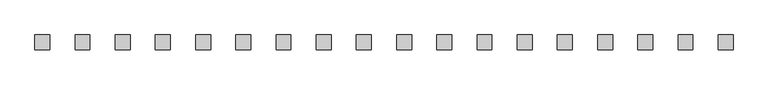
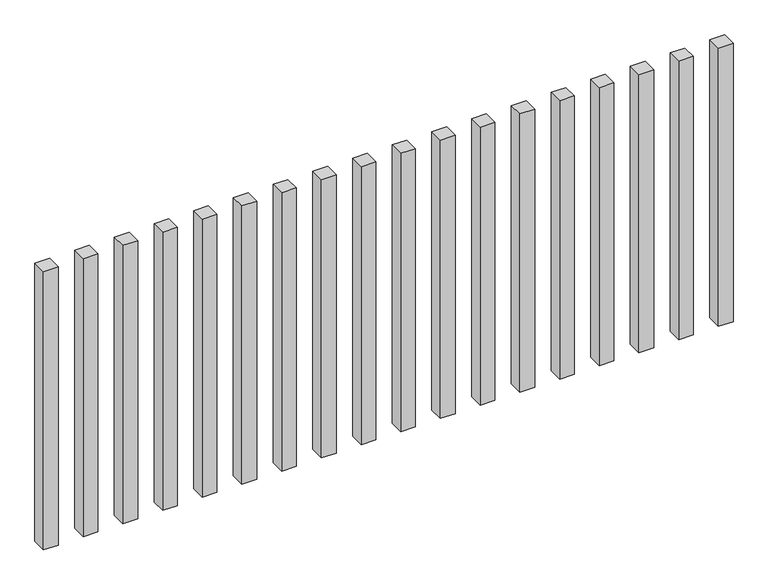
"""IFC4 building model written with IfcOpenShell, lengths in millimetres: railing geometry."""

from ifc_helpers import new_model, si_unit, origin, origin_with_axes, place, context, project, spatial, polyline, outline, extrude, source, transform, mapped, element, save


def railing_3efd5a5e(model_context):
    return source(origin(), model_context, "Body", "SweptSolid", [
        extrude(outline(polyline([(-15507.5700772, -92454.0267127), (-15507.5700772, -92404.0267127), (-15457.5700772, -92404.0267127), (-15457.5700772, -92454.0267127), (-15507.5700772, -92454.0267127)])), origin_with_axes(), (0.0, 0.0, 1.0), 1000.0),
        extrude(outline(polyline([(-15642.5700772, -92454.0267127), (-15642.5700772, -92404.0267127), (-15592.5700772, -92404.0267127), (-15592.5700772, -92454.0267127), (-15642.5700772, -92454.0267127)])), origin_with_axes(), (0.0, 0.0, 1.0), 1000.0),
        extrude(outline(polyline([(-15777.5700772, -92454.0267127), (-15777.5700772, -92404.0267127), (-15727.5700772, -92404.0267127), (-15727.5700772, -92454.0267127), (-15777.5700772, -92454.0267127)])), origin_with_axes(), (0.0, 0.0, 1.0), 1000.0),
        extrude(outline(polyline([(-15912.5700772, -92454.0267127), (-15912.5700772, -92404.0267127), (-15862.5700772, -92404.0267127), (-15862.5700772, -92454.0267127), (-15912.5700772, -92454.0267127)])), origin_with_axes(), (0.0, 0.0, 1.0), 1000.0),
        extrude(outline(polyline([(-16047.5700772, -92454.0267127), (-16047.5700772, -92404.0267127), (-15997.5700772, -92404.0267127), (-15997.5700772, -92454.0267127), (-16047.5700772, -92454.0267127)])), origin_with_axes(), (0.0, 0.0, 1.0), 1000.0),
        extrude(outline(polyline([(-16182.5700772, -92454.0267127), (-16182.5700772, -92404.0267127), (-16132.5700772, -92404.0267127), (-16132.5700772, -92454.0267127), (-16182.5700772, -92454.0267127)])), origin_with_axes(), (0.0, 0.0, 1.0), 1000.0),
        extrude(outline(polyline([(-16317.5700772, -92454.0267127), (-16317.5700772, -92404.0267127), (-16267.5700772, -92404.0267127), (-16267.5700772, -92454.0267127), (-16317.5700772, -92454.0267127)])), origin_with_axes(), (0.0, 0.0, 1.0), 1000.0),
        extrude(outline(polyline([(-16452.5700772, -92454.0267127), (-16452.5700772, -92404.0267127), (-16402.5700772, -92404.0267127), (-16402.5700772, -92454.0267127), (-16452.5700772, -92454.0267127)])), origin_with_axes(), (0.0, 0.0, 1.0), 1000.0),
        extrude(outline(polyline([(-16587.5700772, -92454.0267127), (-16587.5700772, -92404.0267127), (-16537.5700772, -92404.0267127), (-16537.5700772, -92454.0267127), (-16587.5700772, -92454.0267127)])), origin_with_axes(), (0.0, 0.0, 1.0), 1000.0),
        extrude(outline(polyline([(-16722.5700772, -92454.0267127), (-16722.5700772, -92404.0267127), (-16672.5700772, -92404.0267127), (-16672.5700772, -92454.0267127), (-16722.5700772, -92454.0267127)])), origin_with_axes(), (0.0, 0.0, 1.0), 1000.0),
        extrude(outline(polyline([(-16857.5700772, -92454.0267127), (-16857.5700772, -92404.0267127), (-16807.5700772, -92404.0267127), (-16807.5700772, -92454.0267127), (-16857.5700772, -92454.0267127)])), origin_with_axes(), (0.0, 0.0, 1.0), 1000.0),
        extrude(outline(polyline([(-16992.5700772, -92454.0267127), (-16992.5700772, -92404.0267127), (-16942.5700772, -92404.0267127), (-16942.5700772, -92454.0267127), (-16992.5700772, -92454.0267127)])), origin_with_axes(), (0.0, 0.0, 1.0), 1000.0),
        extrude(outline(polyline([(-17127.5700772, -92454.0267127), (-17127.5700772, -92404.0267127), (-17077.5700772, -92404.0267127), (-17077.5700772, -92454.0267127), (-17127.5700772, -92454.0267127)])), origin_with_axes(), (0.0, 0.0, 1.0), 1000.0),
        extrude(outline(polyline([(-17262.5700772, -92454.0267127), (-17262.5700772, -92404.0267127), (-17212.5700772, -92404.0267127), (-17212.5700772, -92454.0267127), (-17262.5700772, -92454.0267127)])), origin_with_axes(), (0.0, 0.0, 1.0), 1000.0),
        extrude(outline(polyline([(-17397.5700772, -92454.0267127), (-17397.5700772, -92404.0267127), (-17347.5700772, -92404.0267127), (-17347.5700772, -92454.0267127), (-17397.5700772, -92454.0267127)])), origin_with_axes(), (0.0, 0.0, 1.0), 1000.0),
        extrude(outline(polyline([(-17532.5700772, -92454.0267127), (-17532.5700772, -92404.0267127), (-17482.5700772, -92404.0267127), (-17482.5700772, -92454.0267127), (-17532.5700772, -92454.0267127)])), origin_with_axes(), (0.0, 0.0, 1.0), 1000.0),
        extrude(outline(polyline([(-17667.5700772, -92454.0267127), (-17667.5700772, -92404.0267127), (-17617.5700772, -92404.0267127), (-17617.5700772, -92454.0267127), (-17667.5700772, -92454.0267127)])), origin_with_axes(), (0.0, 0.0, 1.0), 1000.0),
        extrude(outline(polyline([(-17802.5700772, -92454.0267127), (-17802.5700772, -92404.0267127), (-17752.5700772, -92404.0267127), (-17752.5700772, -92454.0267127), (-17802.5700772, -92454.0267127)])), origin_with_axes(), (0.0, 0.0, 1.0), 1000.0),
    ])


if __name__ == "__main__":
    model = new_model("IFC4")
    model_context = context("Model", 3, world=origin())
    ifc_project = project(units=[si_unit("LENGTHUNIT", "METRE", prefix="MILLI")], contexts=[model_context])
    site = spatial("IfcSite", under=ifc_project)
    building = spatial("IfcBuilding", under=site)
    placement = place(None, origin())
    railing_shape = railing_3efd5a5e(model_context)
    element("IfcRailing", 1, at=placement, inside=building, context=model_context, shape_type="MappedRepresentation", body=[
        mapped(railing_shape, transform((0.0, 0.0, 0.0), x_axis=(1.0, 0.0, 0.0), y_axis=(0.0, 1.0, 0.0), z_axis=(0.0, 0.0, 1.0))),
    ])
    save(model, "model.ifc")
